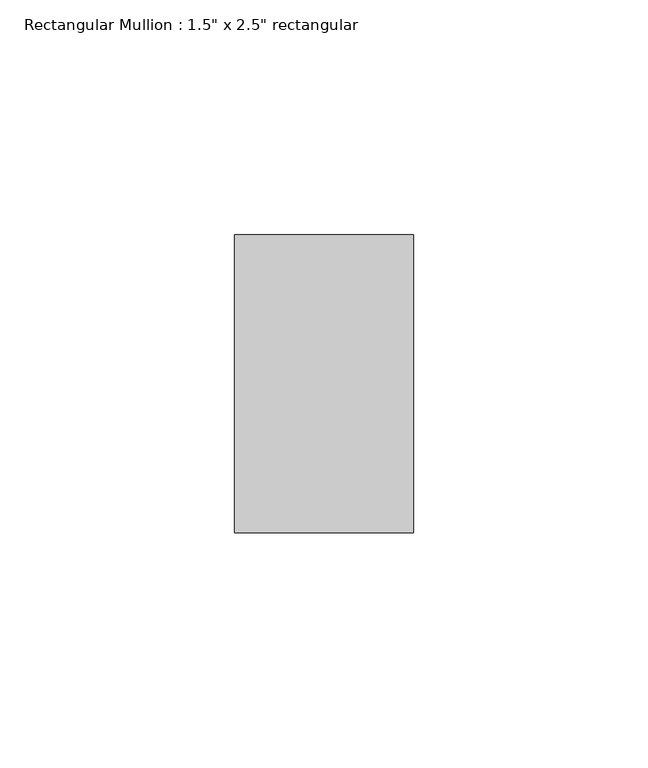
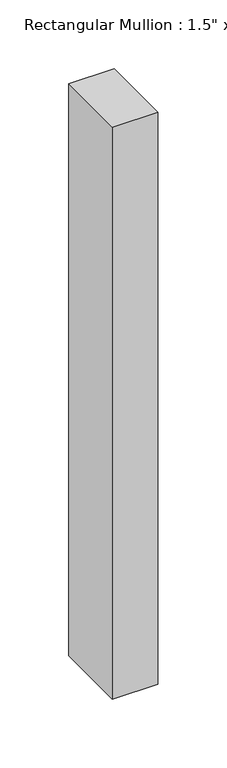
"""IFC4 building model written with IfcOpenShell, lengths in millimetres: member geometry."""

from ifc_helpers import new_model, si_unit, frame, origin, place, context, project, spatial, polyline, outline, extrude, source, transform, mapped, element, save


def member_8e1d6ae1(model_context):
    return source(origin(), model_context, "Body", "SweptSolid", [
        extrude(outline(polyline([(19.05, -19.05), (19.05, -82.55), (-19.05, -82.55), (-19.05, -19.05), (19.05, -19.05)])), frame((0.0, 0.0, -508.0), z_axis=(0.0, 0.0, 1.0), x_axis=(1.0, 0.0, 0.0)), (0.0, 0.0, 1.0), 508.0),
    ])


if __name__ == "__main__":
    model = new_model("IFC4")
    model_context = context("Model", 3, world=origin())
    ifc_project = project(units=[si_unit("LENGTHUNIT", "METRE", prefix="MILLI")], contexts=[model_context])
    site = spatial("IfcSite", under=ifc_project)
    building = spatial("IfcBuilding", under=site)
    placement = place(None, origin())
    member_shape = member_8e1d6ae1(model_context)
    element("IfcMember", 1, ObjectType="Rectangular Mullion : 1.5\" x 2.5\" rectangular", at=placement, inside=building, context=model_context, shape_type="MappedRepresentation", body=[
        mapped(member_shape, transform((0.0, 0.0, 0.0), x_axis=(1.0, 0.0, 0.0), y_axis=(0.0, 1.0, 0.0), z_axis=(0.0, 0.0, 1.0))),
    ])
    save(model, "model.ifc")
